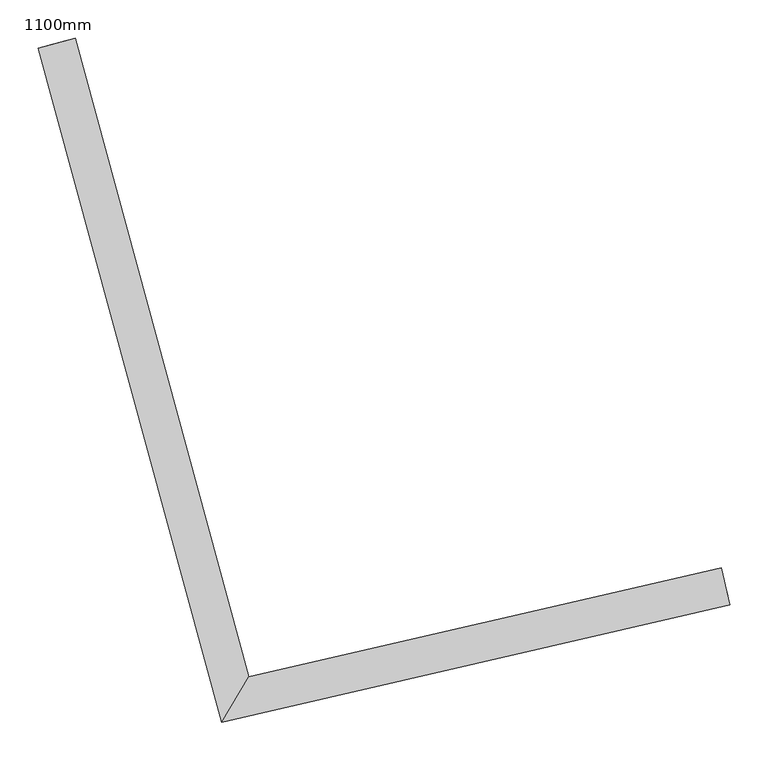
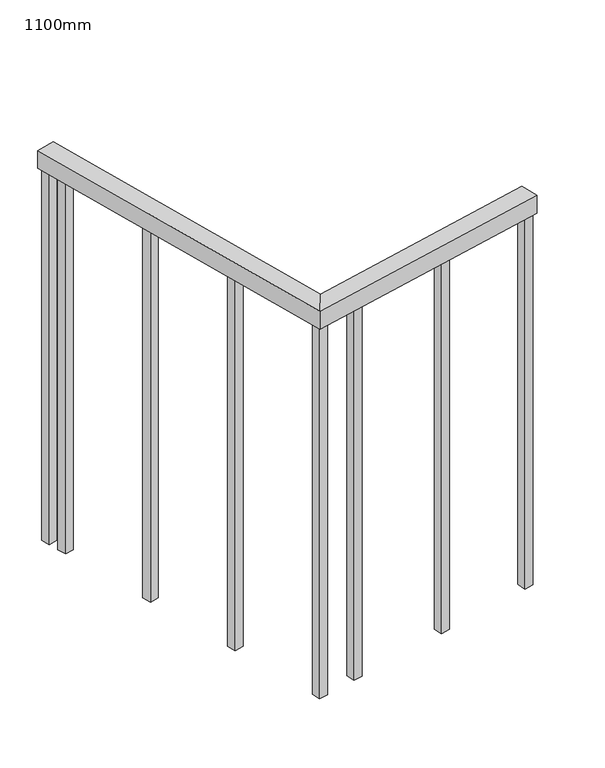
"""IFC4 building model written with IfcOpenShell, lengths in millimetres: railing geometry, 1100mm."""

from ifc_helpers import new_model, si_unit, frame, origin, place, context, project, spatial, polyline, outline, extrude, faceted_brep, source, transform, mapped, element, save


def railing_1100mm_679502a3(model_context):
    return source(origin(), model_context, "Body", "SolidModel", [
        faceted_brep([(87846.8706338, -99876.0009598, 1700.0), (87858.1181865, -99924.719463, 1700.0), (87858.1181865, -99924.719463, 1650.0), (87846.8706338, -99876.0009598, 1650.0), (87228.7238887, -100018.7113807, 1700.0), (87193.0934232, -100078.2525272, 1700.0), (87193.0934232, -100078.2525272, 1650.0), (87228.7238887, -100018.7113807, 1650.0), (87001.4271998, -99182.4619211, 1700.0), (87001.4271998, -99182.4619211, 1650.0), (86953.1777292, -99195.5763629, 1650.0), (86953.1777292, -99195.5763629, 1700.0)], [[[0, 1, 2, 3]], [[1, 0, 4, 5]], [[2, 1, 5, 6]], [[3, 2, 6, 7]], [[0, 3, 7, 4]], [[8, 9, 10, 11]], [[5, 4, 8, 11]], [[6, 5, 11, 10]], [[7, 6, 10, 9]], [[4, 7, 9, 8]]]),
        extrude(outline(polyline([(87009.8613435, -99261.1494459), (86985.7366082, -99267.7066669), (86979.1793873, -99243.5819316), (87003.3041226, -99237.0247106), (87009.8613435, -99261.1494459)])), frame((0.0, 0.0, 600.0), z_axis=(0.0, 0.0, 1.0), x_axis=(1.0, 0.0, 0.0)), (0.0, 0.0, 1.0), 1050.0),
        extrude(outline(polyline([(87081.9907737, -99526.5215343), (87057.8660384, -99533.0787553), (87051.3088175, -99508.95402), (87075.4335528, -99502.396799), (87081.9907737, -99526.5215343)])), frame((0.0, 0.0, 600.0), z_axis=(0.0, 0.0, 1.0), x_axis=(1.0, 0.0, 0.0)), (0.0, 0.0, 1.0), 1050.0),
        extrude(outline(polyline([(87154.1202039, -99791.8936227), (87129.9954686, -99798.4508437), (87123.4382476, -99774.3261084), (87147.5629829, -99767.7688874), (87154.1202039, -99791.8936227)])), frame((0.0, 0.0, 600.0), z_axis=(0.0, 0.0, 1.0), x_axis=(1.0, 0.0, 0.0)), (0.0, 0.0, 1.0), 1050.0),
        extrude(outline(polyline([(87325.9586121, -100009.0917773), (87331.5823885, -100033.4510289), (87307.2231369, -100039.0748053), (87301.5993605, -100014.7155537), (87325.9586121, -100009.0917773)])), frame((0.0, 0.0, 600.0), z_axis=(0.0, 0.0, 1.0), x_axis=(1.0, 0.0, 0.0)), (0.0, 0.0, 1.0), 1050.0),
        extrude(outline(polyline([(87593.9103799, -99947.2302374), (87599.5341563, -99971.589489), (87575.1749047, -99977.2132654), (87569.5511283, -99952.8540137), (87593.9103799, -99947.2302374)])), frame((0.0, 0.0, 600.0), z_axis=(0.0, 0.0, 1.0), x_axis=(1.0, 0.0, 0.0)), (0.0, 0.0, 1.0), 1050.0),
        extrude(outline(polyline([(87220.2763936, -100033.49044), (87225.9001699, -100057.8496916), (87201.5409183, -100063.4734679), (87195.917142, -100039.1142163), (87220.2763936, -100033.49044)])), frame((0.0, 0.0, 600.0), z_axis=(0.0, 0.0, 1.0), x_axis=(1.0, 0.0, 0.0)), (0.0, 0.0, 1.0), 1050.0),
        extrude(outline(polyline([(86995.9220531, -99209.8652668), (86971.7973177, -99216.4224877), (86965.2400968, -99192.2977524), (86989.3648321, -99185.7405315), (86995.9220531, -99209.8652668)])), frame((0.0, 0.0, 600.0), z_axis=(0.0, 0.0, 1.0), x_axis=(1.0, 0.0, 0.0)), (0.0, 0.0, 1.0), 1050.0),
        extrude(outline(polyline([(87849.6825219, -99888.1805856), (87855.3062983, -99912.5398372), (87830.9470467, -99918.1636136), (87825.3232703, -99893.804362), (87849.6825219, -99888.1805856)])), frame((0.0, 0.0, 600.0), z_axis=(0.0, 0.0, 1.0), x_axis=(1.0, 0.0, 0.0)), (0.0, 0.0, 1.0), 1050.0),
    ])


if __name__ == "__main__":
    model = new_model("IFC4")
    model_context = context("Model", 3, world=origin())
    ifc_project = project(units=[si_unit("LENGTHUNIT", "METRE", prefix="MILLI")], contexts=[model_context])
    site = spatial("IfcSite", under=ifc_project)
    building = spatial("IfcBuilding", under=site)
    placement = place(None, origin())
    railing_1100mm_shape = railing_1100mm_679502a3(model_context)
    element("IfcRailing", 1, ObjectType="1100mm", at=placement, inside=building, context=model_context, shape_type="MappedRepresentation", body=[
        mapped(railing_1100mm_shape, transform((0.0, 0.0, 0.0), x_axis=(1.0, 0.0, 0.0), y_axis=(0.0, 1.0, 0.0), z_axis=(0.0, 0.0, 1.0))),
    ])
    save(model, "model.ifc")
